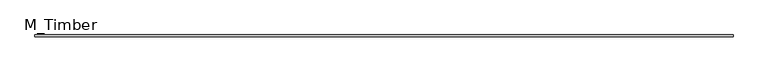
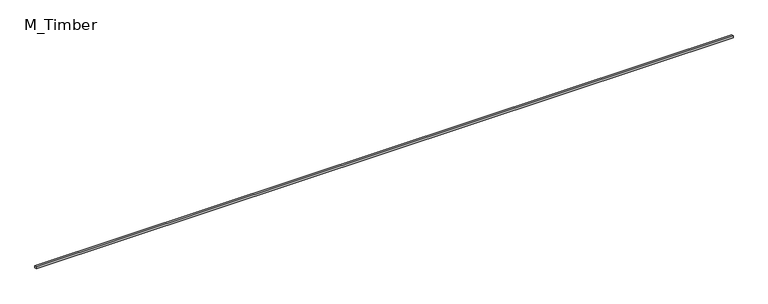
"""IFC4 building model written with IfcOpenShell, lengths in millimetres: beam geometry, M_Timber."""

from ifc_helpers import new_model, si_unit, frame, origin, place, context, project, spatial, polyline, outline, extrude, source, transform, mapped, element, save


def m_timber_a9c9c828(model_context):
    return source(origin(), model_context, "Body", "SweptSolid", [
        extrude(outline(polyline([(7372.9152684, 20.0), (7372.9152684, -20.0), (-7372.9152684, -20.0), (-7372.9152684, 20.0), (7372.9152684, 20.0)])), frame((0.0, 0.0, -20.0), z_axis=(0.0, 0.0, 1.0), x_axis=(1.0, 0.0, 0.0)), (0.0, 0.0, 1.0), 40.0),
    ])


if __name__ == "__main__":
    model = new_model("IFC4")
    model_context = context("Model", 3, world=origin())
    ifc_project = project(units=[si_unit("LENGTHUNIT", "METRE", prefix="MILLI")], contexts=[model_context])
    site = spatial("IfcSite", under=ifc_project)
    building = spatial("IfcBuilding", under=site)
    placement = place(None, origin())
    m_timber_shape = m_timber_a9c9c828(model_context)
    element("IfcBeam", 1, ObjectType="M_Timber", at=placement, inside=building, context=model_context, shape_type="MappedRepresentation", body=[
        mapped(m_timber_shape, transform((0.0, 0.0, 0.0), x_axis=(1.0, 0.0, 0.0), y_axis=(0.0, 1.0, 0.0), z_axis=(0.0, 0.0, 1.0))),
    ])
    save(model, "model.ifc")
